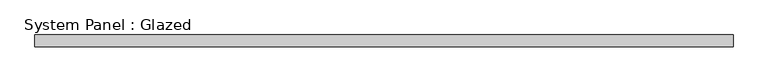
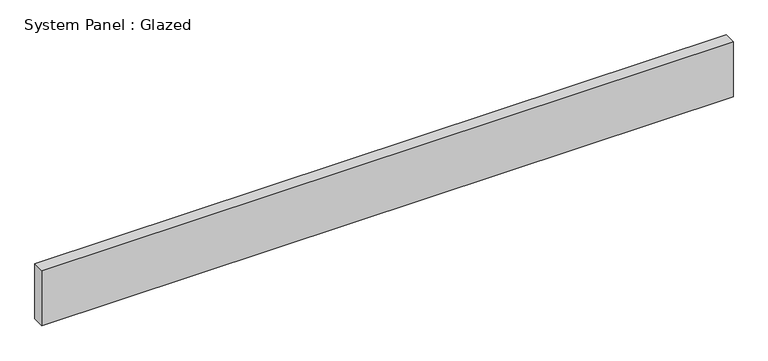
"""IFC4 building model written with IfcOpenShell, lengths in millimetres: plate geometry, System Panel : Glazed."""

from ifc_helpers import new_model, si_unit, origin, origin_with_axes, place, context, project, spatial, polyline, outline, extrude, source, transform, mapped, element, save


def system_panel_glazed_47d263e5(model_context):
    return source(origin(), model_context, "Body", "SweptSolid", [
        extrude(outline(polyline([(754.38, -12.7), (-754.38, -12.7), (-754.38, 12.7), (754.38, 12.7), (754.38, -12.7)])), origin_with_axes(), (0.0, 0.0, 1.0), 127.0),
    ])


if __name__ == "__main__":
    model = new_model("IFC4")
    model_context = context("Model", 3, world=origin())
    ifc_project = project(units=[si_unit("LENGTHUNIT", "METRE", prefix="MILLI")], contexts=[model_context])
    site = spatial("IfcSite", under=ifc_project)
    building = spatial("IfcBuilding", under=site)
    placement = place(None, origin())
    system_panel_glazed_shape = system_panel_glazed_47d263e5(model_context)
    element("IfcPlate", 1, ObjectType="System Panel : Glazed", at=placement, inside=building, context=model_context, shape_type="MappedRepresentation", body=[
        mapped(system_panel_glazed_shape, transform((0.0, 0.0, 0.0), x_axis=(1.0, 0.0, 0.0), y_axis=(0.0, 1.0, 0.0), z_axis=(0.0, 0.0, 1.0))),
    ])
    save(model, "model.ifc")
